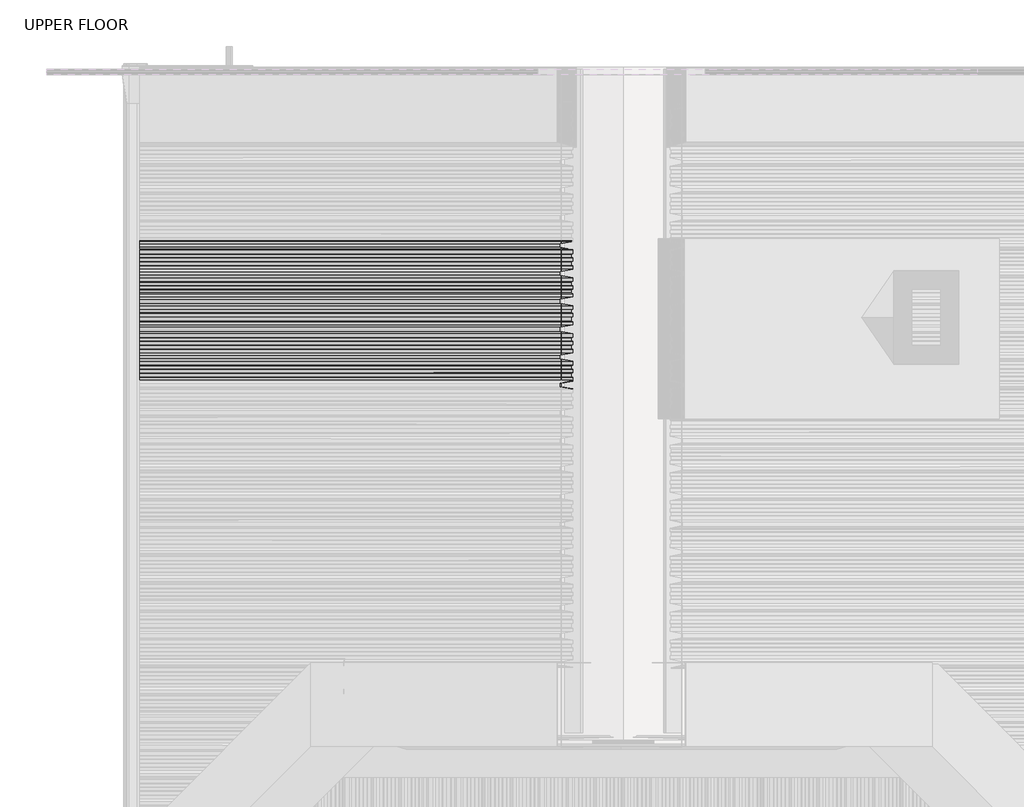
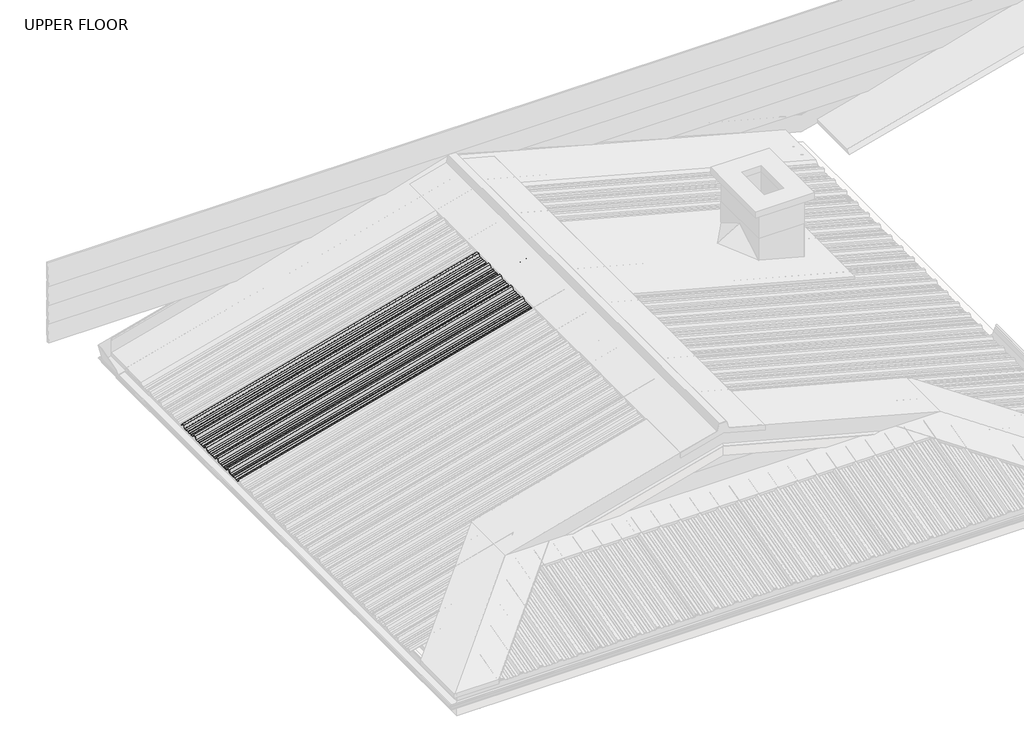
# One storey, part 15 of 18: 1 beam.
"""IFC4 building model written with IfcOpenShell, lengths in millimetres."""

from ifc_helpers import new_model, si_unit, frame, origin, place, context, project, spatial, circle_curve, ellipse_curve, element, save
from ifc_brep_helpers import plane_surface, cylinder_surface, advanced_brep

model = new_model("IFC4")

# Units and contexts
model_context = context("Model", 3, world=origin())
ifc_project = project(units=[si_unit("LENGTHUNIT", "METRE", prefix="MILLI")], contexts=[model_context])

# Site, building, storey
site = spatial("IfcSite", under=ifc_project)
building = spatial("IfcBuilding", under=site)
storey = spatial("IfcBuildingStorey", under=building, Name="UPPER FLOOR", Elevation=2700.0)

# Beam
placement = place(None, origin())
element("IfcBeam", 1, at=placement, inside=storey, context=model_context, shape_type="AdvancedBrep", body=[
    advanced_brep(
    [(1911.8438312, -1635.5154236, 3964.0388456), (1916.502574, -1622.0160332, 3946.6521808), (1916.502574, -1603.8599507, 3946.6521808), (1915.9849359, -1599.7333487, 3948.5840324), (1915.9849359, -1582.1265136, 3948.5840324), (1916.502574, -1578.8623496, 3946.6521808), (1916.502574, -1560.0893759, 3946.6521808), (1915.9849359, -1557.0479174, 3948.5840324), (1915.9849359, -1541.3821135, 3948.5840324), (1916.502574, -1538.3384716, 3946.6521808), (1916.502574, -1518.0160332, 3946.6521808), (1911.8438312, -1504.5166428, 3964.0388456), (1911.8438312, -1485.5154236, 3964.0388456), (1916.502574, -1472.0160332, 3946.6521808), (1916.502574, -1453.8599507, 3946.6521808), (1915.9849359, -1449.7333487, 3948.5840324), (1915.9849359, -1432.1265136, 3948.5840324), (1916.502574, -1428.8623496, 3946.6521808), (1916.502574, -1410.0893759, 3946.6521808), (1915.9849359, -1407.0479174, 3948.5840324), (1915.9849359, -1391.3821135, 3948.5840324), (1916.502574, -1388.3384716, 3946.6521808), (1916.502574, -1368.0160332, 3946.6521808), (1911.8438312, -1354.5166428, 3964.0388456), (1911.8438312, -1335.5154236, 3964.0388456), (1916.502574, -1322.0160332, 3946.6521808), (1916.502574, -1303.8599507, 3946.6521808), (1915.9849359, -1299.7333487, 3948.5840324), (1915.9849359, -1282.1265136, 3948.5840324), (1916.502574, -1278.8623496, 3946.6521808), (1916.502574, -1260.0893759, 3946.6521808), (1915.9849359, -1257.0479174, 3948.5840324), (1915.9849359, -1241.3821135, 3948.5840324), (1916.502574, -1238.3384716, 3946.6521808), (1916.502574, -1218.0160332, 3946.6521808), (1911.8438312, -1204.5166428, 3964.0388456), (1911.8438312, -1185.5154236, 3964.0388456), (1916.502574, -1172.0160332, 3946.6521808), (1916.502574, -1153.8599507, 3946.6521808), (1915.9849359, -1149.7333487, 3948.5840324), (1915.9849359, -1132.1265136, 3948.5840324), (1916.502574, -1128.8623496, 3946.6521808), (1916.502574, -1110.0893759, 3946.6521808), (1915.9849359, -1107.0479174, 3948.5840324), (1915.9849359, -1091.3821135, 3948.5840324), (1916.502574, -1088.3384716, 3946.6521808), (1916.502574, -1068.0160332, 3946.6521808), (1911.8438312, -1054.5166428, 3964.0388456), (1911.8438312, -1035.5154236, 3964.0388456), (1915.9849359, -1023.5159654, 3948.5840324), (1915.9849359, -1019.8426482, 3948.5840324), (1915.7261169, -1019.8426482, 3949.5499582), (1915.7261169, -1023.016575, 3949.5499582), (1911.5850122, -1035.0160332, 3965.0047715), (1911.5850122, -1055.0160332, 3965.0047715), (1916.243755, -1068.5154236, 3947.6181066), (1916.243755, -1088.0393206, 3947.6181066), (1915.7261169, -1091.0829625, 3949.5499582), (1915.7261169, -1107.3472479, 3949.5499582), (1916.243755, -1110.3887064, 3947.6181066), (1916.243755, -1128.5803543, 3947.6181066), (1915.7261169, -1131.8445183, 3949.5499582), (1915.7261169, -1149.9629086, 3949.5499582), (1916.243755, -1154.0895106, 3947.6181066), (1916.243755, -1171.5166428, 3947.6181066), (1911.5850122, -1185.0160332, 3965.0047715), (1911.5850122, -1205.0160332, 3965.0047715), (1916.243755, -1218.5154236, 3947.6181066), (1916.243755, -1238.0393206, 3947.6181066), (1915.7261169, -1241.0829625, 3949.5499582), (1915.7261169, -1257.3472479, 3949.5499582), (1916.243755, -1260.3887064, 3947.6181066), (1916.243755, -1278.5803543, 3947.6181066), (1915.7261169, -1281.8445183, 3949.5499582), (1915.7261169, -1299.9629086, 3949.5499582), (1916.243755, -1304.0895106, 3947.6181066), (1916.243755, -1321.5166428, 3947.6181066), (1911.5850122, -1335.0160332, 3965.0047715), (1911.5850122, -1355.0160332, 3965.0047715), (1916.243755, -1368.5154236, 3947.6181066), (1916.243755, -1388.0393206, 3947.6181066), (1915.7261169, -1391.0829625, 3949.5499582), (1915.7261169, -1407.3472479, 3949.5499582), (1916.243755, -1410.3887064, 3947.6181066), (1916.243755, -1428.5803543, 3947.6181066), (1915.7261169, -1431.8445183, 3949.5499582), (1915.7261169, -1449.9629086, 3949.5499582), (1916.243755, -1454.0895106, 3947.6181066), (1916.243755, -1471.5166428, 3947.6181066), (1911.5850122, -1485.0160332, 3965.0047715), (1911.5850122, -1505.0160332, 3965.0047715), (1916.243755, -1518.5154236, 3947.6181066), (1916.243755, -1538.0393206, 3947.6181066), (1915.7261169, -1541.0829625, 3949.5499582), (1915.7261169, -1557.3472479, 3949.5499582), (1916.243755, -1560.3887064, 3947.6181066), (1916.243755, -1578.5803543, 3947.6181066), (1915.7261169, -1581.8445183, 3949.5499582), (1915.7261169, -1599.9629086, 3949.5499582), (1916.243755, -1604.0895106, 3947.6181066), (1916.243755, -1621.5166428, 3947.6181066), (1911.5850122, -1635.0160332, 3965.0047715), (1911.5850122, -1655.0160332, 3965.0047715), (1916.243755, -1668.5154236, 3947.6181066), (1916.243755, -1688.0393206, 3947.6181066), (1915.7261169, -1691.0829625, 3949.5499582), (1915.7261169, -1707.3472479, 3949.5499582), (1916.243755, -1710.3887064, 3947.6181066), (1916.243755, -1728.5803543, 3947.6181066), (1915.7261169, -1731.8445183, 3949.5499582), (1915.7261169, -1749.9629086, 3949.5499582), (1916.243755, -1754.0895106, 3947.6181066), (1916.243755, -1774.0166021, 3947.6181066), (1912.1026503, -1786.0160603, 3963.0729198), (1912.1026503, -1804.0160061, 3963.0729198), (1916.1256634, -1815.6732765, 3948.0588305), (1916.2808729, -1814.8736623, 3947.4795806), (1912.3614693, -1803.5166157, 3962.106994), (1912.3614693, -1786.5154506, 3962.106994), (1916.502574, -1774.5159925, 3946.6521808), (1916.502574, -1753.8599507, 3946.6521808), (1915.9849359, -1749.7333487, 3948.5840324), (1915.9849359, -1732.1265136, 3948.5840324), (1916.502574, -1728.8623496, 3946.6521808), (1916.502574, -1710.0893759, 3946.6521808), (1915.9849359, -1707.0479174, 3948.5840324), (1915.9849359, -1691.3821135, 3948.5840324), (1916.502574, -1688.3384716, 3946.6521808), (1916.502574, -1668.0160332, 3946.6521808), (1911.8438312, -1654.5166428, 3964.0388456), (-592.3448479, -1635.5154236, 3293.0435114), (-592.3448479, -1622.0160332, 3274.4085401), (-592.3448479, -1603.8599507, 3274.4085401), (-592.3448479, -1599.7333487, 3276.4790925), (-592.3448479, -1582.1265136, 3276.4790925), (-592.3448479, -1578.8623496, 3274.4085401), (-592.3448479, -1560.0893759, 3274.4085401), (-592.3448479, -1557.0479174, 3276.4790925), (-592.3448479, -1541.3821135, 3276.4790925), (-592.3448479, -1538.3384716, 3274.4085401), (-592.3448479, -1518.0160332, 3274.4085401), (-592.3448479, -1504.5166428, 3293.0435114), (-592.3448479, -1485.5154236, 3293.0435114), (-592.3448479, -1472.0160332, 3274.4085401), (-592.3448479, -1453.8599507, 3274.4085401), (-592.3448479, -1449.7333487, 3276.4790925), (-592.3448479, -1432.1265136, 3276.4790925), (-592.3448479, -1428.8623496, 3274.4085401), (-592.3448479, -1410.0893759, 3274.4085401), (-592.3448479, -1407.0479174, 3276.4790925), (-592.3448479, -1391.3821135, 3276.4790925), (-592.3448479, -1388.3384716, 3274.4085401), (-592.3448479, -1368.0160332, 3274.4085401), (-592.3448479, -1354.5166428, 3293.0435114), (-592.3448479, -1335.5154236, 3293.0435114), (-592.3448479, -1322.0160332, 3274.4085401), (-592.3448479, -1303.8599507, 3274.4085401), (-592.3448479, -1299.7333487, 3276.4790925), (-592.3448479, -1282.1265136, 3276.4790925), (-592.3448479, -1278.8623496, 3274.4085401), (-592.3448479, -1260.0893759, 3274.4085401), (-592.3448479, -1257.0479174, 3276.4790925), (-592.3448479, -1241.3821135, 3276.4790925), (-592.3448479, -1238.3384716, 3274.4085401), (-592.3448479, -1218.0160332, 3274.4085401), (-592.3448479, -1204.5166428, 3293.0435114), (-592.3448479, -1185.5154236, 3293.0435114), (-592.3448479, -1172.0160332, 3274.4085401), (-592.3448479, -1153.8599507, 3274.4085401), (-592.3448479, -1149.7333487, 3276.4790925), (-592.3448479, -1132.1265136, 3276.4790925), (-592.3448479, -1128.8623496, 3274.4085401), (-592.3448479, -1110.0893759, 3274.4085401), (-592.3448479, -1107.0479174, 3276.4790925), (-592.3448479, -1091.3821135, 3276.4790925), (-592.3448479, -1088.3384716, 3274.4085401), (-592.3448479, -1068.0160332, 3274.4085401), (-592.3448479, -1054.5166428, 3293.0435114), (-592.3448479, -1035.5154236, 3293.0435114), (-592.3448479, -1023.5159654, 3276.4790925), (-592.3448479, -1019.8426482, 3276.4790925), (-592.3448479, -1019.8426482, 3277.5143687), (-592.3448479, -1023.016575, 3277.5143687), (-592.3448479, -1035.0160332, 3294.0787875), (-592.3448479, -1055.0160332, 3294.0787875), (-592.3448479, -1068.5154236, 3275.4438163), (-592.3448479, -1088.0393206, 3275.4438163), (-592.3448479, -1091.0829625, 3277.5143687), (-592.3448479, -1107.3472479, 3277.5143687), (-592.3448479, -1110.3887064, 3275.4438163), (-592.3448479, -1128.5803543, 3275.4438163), (-592.3448479, -1131.8445183, 3277.5143687), (-592.3448479, -1149.9629086, 3277.5143687), (-592.3448479, -1154.0895106, 3275.4438163), (-592.3448479, -1171.5166428, 3275.4438163), (-592.3448479, -1185.0160332, 3294.0787875), (-592.3448479, -1205.0160332, 3294.0787875), (-592.3448479, -1218.5154236, 3275.4438163), (-592.3448479, -1238.0393206, 3275.4438163), (-592.3448479, -1241.0829625, 3277.5143687), (-592.3448479, -1257.3472479, 3277.5143687), (-592.3448479, -1260.3887064, 3275.4438163), (-592.3448479, -1278.5803543, 3275.4438163), (-592.3448479, -1281.8445183, 3277.5143687), (-592.3448479, -1299.9629086, 3277.5143687), (-592.3448479, -1304.0895106, 3275.4438163), (-592.3448479, -1321.5166428, 3275.4438163), (-592.3448479, -1335.0160332, 3294.0787875), (-592.3448479, -1355.0160332, 3294.0787875), (-592.3448479, -1368.5154236, 3275.4438163), (-592.3448479, -1388.0393206, 3275.4438163), (-592.3448479, -1391.0829625, 3277.5143687), (-592.3448479, -1407.3472479, 3277.5143687), (-592.3448479, -1410.3887064, 3275.4438163), (-592.3448479, -1428.5803543, 3275.4438163), (-592.3448479, -1431.8445183, 3277.5143687), (-592.3448479, -1449.9629086, 3277.5143687), (-592.3448479, -1454.0895106, 3275.4438163), (-592.3448479, -1471.5166428, 3275.4438163), (-592.3448479, -1485.0160332, 3294.0787875), (-592.3448479, -1505.0160332, 3294.0787875), (-592.3448479, -1518.5154236, 3275.4438163), (-592.3448479, -1538.0393206, 3275.4438163), (-592.3448479, -1541.0829625, 3277.5143687), (-592.3448479, -1557.3472479, 3277.5143687), (-592.3448479, -1560.3887064, 3275.4438163), (-592.3448479, -1578.5803543, 3275.4438163), (-592.3448479, -1581.8445183, 3277.5143687), (-592.3448479, -1599.9629086, 3277.5143687), (-592.3448479, -1604.0895106, 3275.4438163), (-592.3448479, -1621.5166428, 3275.4438163), (-592.3448479, -1635.0160332, 3294.0787875), (-592.3448479, -1655.0160332, 3294.0787875), (-592.3448479, -1668.5154236, 3275.4438163), (-592.3448479, -1688.0393206, 3275.4438163), (-592.3448479, -1691.0829625, 3277.5143687), (-592.3448479, -1707.3472479, 3277.5143687), (-592.3448479, -1710.3887064, 3275.4438163), (-592.3448479, -1728.5803543, 3275.4438163), (-592.3448479, -1731.8445183, 3277.5143687), (-592.3448479, -1749.9629086, 3277.5143687), (-592.3448479, -1754.0895106, 3275.4438163), (-592.3448479, -1774.0166021, 3275.4438163), (-592.3448479, -1786.0160603, 3292.0082352), (-592.3448479, -1804.0160061, 3292.0082352), (-592.3448479, -1815.6732765, 3275.9161827), (-592.3448479, -1814.8736623, 3275.2953446), (-592.3448479, -1803.5166157, 3290.972959), (-592.3448479, -1786.5154506, 3290.972959), (-592.3448479, -1774.5159925, 3274.4085401), (-592.3448479, -1753.8599507, 3274.4085401), (-592.3448479, -1749.7333487, 3276.4790925), (-592.3448479, -1732.1265136, 3276.4790925), (-592.3448479, -1728.8623496, 3274.4085401), (-592.3448479, -1710.0893759, 3274.4085401), (-592.3448479, -1707.0479174, 3276.4790925), (-592.3448479, -1691.3821135, 3276.4790925), (-592.3448479, -1688.3384716, 3274.4085401), (-592.3448479, -1668.0160332, 3274.4085401), (-592.3448479, -1654.5166428, 3293.0435114)],
    [
        (0, 1),
        (1, 2),
        (2, 3),
        (3, 4),
        (4, 5),
        (5, 6),
        (6, 7),
        (7, 8),
        (8, 9),
        (9, 10),
        (10, 11),
        (11, 12),
        (12, 13),
        (13, 14),
        (14, 15),
        (15, 16),
        (16, 17),
        (17, 18),
        (18, 19),
        (19, 20),
        (20, 21),
        (21, 22),
        (22, 23),
        (23, 24),
        (24, 25),
        (25, 26),
        (26, 27),
        (27, 28),
        (28, 29),
        (29, 30),
        (30, 31),
        (31, 32),
        (32, 33),
        (33, 34),
        (34, 35),
        (35, 36),
        (36, 37),
        (37, 38),
        (38, 39),
        (39, 40),
        (40, 41),
        (41, 42),
        (42, 43),
        (43, 44),
        (44, 45),
        (45, 46),
        (46, 47),
        (47, 48),
        (48, 49),
        (49, 50),
        (50, 51, circle_curve(frame((1915.8555264, -1019.8426482, 3949.0669953), z_axis=(0.9659258262890683, 0.0, 0.25881904510252074), x_axis=(0.0, 1.0, 0.0)), 0.5)),
        (51, 52),
        (52, 53),
        (53, 54),
        (54, 55),
        (55, 56),
        (56, 57),
        (57, 58),
        (58, 59),
        (59, 60),
        (60, 61),
        (61, 62),
        (62, 63),
        (63, 64),
        (64, 65),
        (65, 66),
        (66, 67),
        (67, 68),
        (68, 69),
        (69, 70),
        (70, 71),
        (71, 72),
        (72, 73),
        (73, 74),
        (74, 75),
        (75, 76),
        (76, 77),
        (77, 78),
        (78, 79),
        (79, 80),
        (80, 81),
        (81, 82),
        (82, 83),
        (83, 84),
        (84, 85),
        (85, 86),
        (86, 87),
        (87, 88),
        (88, 89),
        (89, 90),
        (90, 91),
        (91, 92),
        (92, 93),
        (93, 94),
        (94, 95),
        (95, 96),
        (96, 97),
        (97, 98),
        (98, 99),
        (99, 100),
        (100, 101),
        (101, 102),
        (102, 103),
        (103, 104),
        (104, 105),
        (105, 106),
        (106, 107),
        (107, 108),
        (108, 109),
        (109, 110),
        (110, 111),
        (111, 112),
        (112, 113),
        (113, 114),
        (114, 115),
        (115, 116, circle_curve(frame((1916.2032682, -1815.2734694, 3947.7692055), z_axis=(0.9659258262890683, 0.0, 0.25881904510252074), x_axis=(0.0, 1.0, 0.0)), 0.4997507)),
        (116, 117),
        (117, 118),
        (118, 119),
        (119, 120),
        (120, 121),
        (121, 122),
        (122, 123),
        (123, 124),
        (124, 125),
        (125, 126),
        (126, 127),
        (127, 128),
        (128, 129),
        (129, 0),
        (0, 130),
        (130, 131),
        (131, 1),
        (131, 132),
        (132, 2),
        (132, 133),
        (133, 3),
        (133, 134),
        (134, 4),
        (134, 135),
        (135, 5),
        (135, 136),
        (136, 6),
        (136, 137),
        (137, 7),
        (137, 138),
        (138, 8),
        (138, 139),
        (139, 9),
        (139, 140),
        (140, 10),
        (140, 141),
        (141, 11),
        (141, 142),
        (142, 12),
        (142, 143),
        (143, 13),
        (143, 144),
        (144, 14),
        (144, 145),
        (145, 15),
        (145, 146),
        (146, 16),
        (146, 147),
        (147, 17),
        (147, 148),
        (148, 18),
        (148, 149),
        (149, 19),
        (149, 150),
        (150, 20),
        (150, 151),
        (151, 21),
        (151, 152),
        (152, 22),
        (152, 153),
        (153, 23),
        (153, 154),
        (154, 24),
        (154, 155),
        (155, 25),
        (155, 156),
        (156, 26),
        (156, 157),
        (157, 27),
        (157, 158),
        (158, 28),
        (158, 159),
        (159, 29),
        (159, 160),
        (160, 30),
        (160, 161),
        (161, 31),
        (161, 162),
        (162, 32),
        (162, 163),
        (163, 33),
        (163, 164),
        (164, 34),
        (164, 165),
        (165, 35),
        (165, 166),
        (166, 36),
        (166, 167),
        (167, 37),
        (167, 168),
        (168, 38),
        (168, 169),
        (169, 39),
        (169, 170),
        (170, 40),
        (170, 171),
        (171, 41),
        (171, 172),
        (172, 42),
        (172, 173),
        (173, 43),
        (173, 174),
        (174, 44),
        (174, 175),
        (175, 45),
        (175, 176),
        (176, 46),
        (176, 177),
        (177, 47),
        (177, 178),
        (178, 48),
        (178, 179),
        (179, 49),
        (179, 180),
        (180, 50),
        (180, 181, ellipse_curve(frame((-592.3448479, -1019.8426482, 3276.9967306), z_axis=(1.0, 0.0, 0.0), x_axis=(0.0, 0.0, 1.0)), 0.5176381, 0.5)),
        (181, 51),
        (181, 182),
        (182, 52),
        (182, 183),
        (183, 53),
        (183, 184),
        (184, 54),
        (184, 185),
        (185, 55),
        (185, 186),
        (186, 56),
        (186, 187),
        (187, 57),
        (187, 188),
        (188, 58),
        (188, 189),
        (189, 59),
        (189, 190),
        (190, 60),
        (190, 191),
        (191, 61),
        (191, 192),
        (192, 62),
        (192, 193),
        (193, 63),
        (193, 194),
        (194, 64),
        (194, 195),
        (195, 65),
        (195, 196),
        (196, 66),
        (196, 197),
        (197, 67),
        (197, 198),
        (198, 68),
        (198, 199),
        (199, 69),
        (199, 200),
        (200, 70),
        (200, 201),
        (201, 71),
        (201, 202),
        (202, 72),
        (202, 203),
        (203, 73),
        (203, 204),
        (204, 74),
        (204, 205),
        (205, 75),
        (205, 206),
        (206, 76),
        (206, 207),
        (207, 77),
        (207, 208),
        (208, 78),
        (208, 209),
        (209, 79),
        (209, 210),
        (210, 80),
        (210, 211),
        (211, 81),
        (211, 212),
        (212, 82),
        (212, 213),
        (213, 83),
        (213, 214),
        (214, 84),
        (214, 215),
        (215, 85),
        (215, 216),
        (216, 86),
        (216, 217),
        (217, 87),
        (217, 218),
        (218, 88),
        (218, 219),
        (219, 89),
        (219, 220),
        (220, 90),
        (220, 221),
        (221, 91),
        (221, 222),
        (222, 92),
        (222, 223),
        (223, 93),
        (223, 224),
        (224, 94),
        (224, 225),
        (225, 95),
        (225, 226),
        (226, 96),
        (226, 227),
        (227, 97),
        (227, 228),
        (228, 98),
        (228, 229),
        (229, 99),
        (229, 230),
        (230, 100),
        (230, 231),
        (231, 101),
        (231, 232),
        (232, 102),
        (232, 233),
        (233, 103),
        (233, 234),
        (234, 104),
        (234, 235),
        (235, 105),
        (235, 236),
        (236, 106),
        (236, 237),
        (237, 107),
        (237, 238),
        (238, 108),
        (238, 239),
        (239, 109),
        (239, 240),
        (240, 110),
        (240, 241),
        (241, 111),
        (241, 242),
        (242, 112),
        (242, 243),
        (243, 113),
        (243, 244),
        (244, 114),
        (244, 245),
        (245, 115),
        (245, 246, ellipse_curve(frame((-592.3448479, -1815.2734694, 3275.6057637), z_axis=(1.0, 0.0, 0.0), x_axis=(0.0, 0.0, 1.0)), 0.51738, 0.4997507)),
        (246, 116),
        (246, 247),
        (247, 117),
        (247, 248),
        (248, 118),
        (248, 249),
        (249, 119),
        (249, 250),
        (250, 120),
        (250, 251),
        (251, 121),
        (251, 252),
        (252, 122),
        (252, 253),
        (253, 123),
        (253, 254),
        (254, 124),
        (254, 255),
        (255, 125),
        (255, 256),
        (256, 126),
        (256, 257),
        (257, 127),
        (257, 258),
        (258, 128),
        (258, 259),
        (259, 129),
        (259, 130),
    ],
    [
        plane_surface(frame((1911.8438312, -1635.5154236, 3964.0388456), z_axis=(0.9659258262890682, 0.0, 0.2588190451025208), x_axis=(0.20705860205458665, 0.5999826594493568, -0.7727532230118989))),
        plane_surface(frame((1911.8438312, -1635.5154236, 3964.0388456), z_axis=(0.1552869389967521, -0.8000130051193401, -0.579538746087733), x_axis=(-0.9659258262890683, 0.0, -0.25881904510252074))),
        plane_surface(frame((1916.502574, -1622.0160332, 3946.6521808), z_axis=(0.25881904510252074, 0.0, -0.9659258262890683), x_axis=(-0.9659258262890683, 0.0, -0.25881904510252074))),
        plane_surface(frame((1916.502574, -1603.8599507, 3946.6521808), z_axis=(0.23290623468573962, 0.43613636169978626, -0.8692179012467383), x_axis=(-0.9659258262890683, 0.0, -0.25881904510252074))),
        plane_surface(frame((1915.9849359, -1599.7333487, 3948.5840324), z_axis=(0.25881904510252074, 0.0, -0.9659258262890683), x_axis=(-0.9659258262890683, 0.0, -0.25881904510252074))),
        plane_surface(frame((1915.9849359, -1582.1265136, 3948.5840324), z_axis=(0.22068801492462872, -0.5224449573493034, -0.8236188843202367), x_axis=(-0.9659258262890683, 0.0, -0.25881904510252074))),
        plane_surface(frame((1916.502574, -1578.8623496, 3946.6521808), z_axis=(0.25881904510252074, 0.0, -0.9659258262890683), x_axis=(-0.9659258262890683, 0.0, -0.25881904510252074))),
        plane_surface(frame((1916.502574, -1560.0893759, 3946.6521808), z_axis=(0.21625317242009745, 0.5494325148836681, -0.8070678267697529), x_axis=(-0.9659258262890683, 0.0, -0.25881904510252074))),
        plane_surface(frame((1915.9849359, -1557.0479174, 3948.5840324), z_axis=(0.25881904510252074, 0.0, -0.9659258262890683), x_axis=(-0.9659258262890683, 0.0, -0.25881904510252074))),
        plane_surface(frame((1915.9849359, -1541.3821135, 3948.5840324), z_axis=(0.21630000128988636, -0.5491572662555927, -0.8072425944910732), x_axis=(-0.9659258262890683, 0.0, -0.25881904510252074))),
        plane_surface(frame((1916.502574, -1538.3384716, 3946.6521808), z_axis=(0.25881904510252074, 0.0, -0.9659258262890683), x_axis=(-0.9659258262890683, 0.0, -0.25881904510252074))),
        plane_surface(frame((1916.502574, -1518.0160332, 3946.6521808), z_axis=(0.1552869389967555, 0.8000130051193378, -0.5795387460877353), x_axis=(-0.9659258262890683, 0.0, -0.25881904510252074))),
        plane_surface(frame((1911.8438312, -1504.5166428, 3964.0388456), z_axis=(0.25881904510252074, 0.0, -0.9659258262890683), x_axis=(-0.9659258262890683, 0.0, -0.25881904510252074))),
        plane_surface(frame((1911.8438312, -1485.5154236, 3964.0388456), z_axis=(0.155286938996752, -0.8000130051193405, -0.5795387460877326), x_axis=(-0.9659258262890683, 0.0, -0.25881904510252074))),
        plane_surface(frame((1916.502574, -1472.0160332, 3946.6521808), z_axis=(0.25881904510252074, 0.0, -0.9659258262890683), x_axis=(-0.9659258262890683, 0.0, -0.25881904510252074))),
        plane_surface(frame((1916.502574, -1453.8599507, 3946.6521808), z_axis=(0.2329062346857402, 0.4361363616997818, -0.8692179012467404), x_axis=(-0.9659258262890683, 0.0, -0.25881904510252074))),
        plane_surface(frame((1915.9849359, -1449.7333487, 3948.5840324), z_axis=(0.25881904510252074, 0.0, -0.9659258262890683), x_axis=(-0.9659258262890683, 0.0, -0.25881904510252074))),
        plane_surface(frame((1915.9849359, -1432.1265136, 3948.5840324), z_axis=(0.22068801492462992, -0.5224449573492964, -0.8236188843202409), x_axis=(-0.9659258262890683, 0.0, -0.25881904510252074))),
        plane_surface(frame((1916.502574, -1428.8623496, 3946.6521808), z_axis=(0.25881904510252074, 0.0, -0.9659258262890683), x_axis=(-0.9659258262890683, 0.0, -0.25881904510252074))),
        plane_surface(frame((1916.502574, -1410.0893759, 3946.6521808), z_axis=(0.2162531724200989, 0.5494325148836595, -0.8070678267697583), x_axis=(-0.9659258262890683, 0.0, -0.25881904510252074))),
        plane_surface(frame((1915.9849359, -1407.0479174, 3948.5840324), z_axis=(0.25881904510252074, 0.0, -0.9659258262890683), x_axis=(-0.9659258262890683, 0.0, -0.25881904510252074))),
        plane_surface(frame((1915.9849359, -1391.3821135, 3948.5840324), z_axis=(0.21630000128988636, -0.5491572662555927, -0.8072425944910732), x_axis=(-0.9659258262890683, 0.0, -0.25881904510252074))),
        plane_surface(frame((1916.502574, -1388.3384716, 3946.6521808), z_axis=(0.25881904510252074, 0.0, -0.9659258262890683), x_axis=(-0.9659258262890683, 0.0, -0.25881904510252074))),
        plane_surface(frame((1916.502574, -1368.0160332, 3946.6521808), z_axis=(0.15528693899675589, 0.8000130051193365, -0.5795387460877367), x_axis=(-0.9659258262890683, 0.0, -0.25881904510252074))),
        plane_surface(frame((1911.8438312, -1354.5166428, 3964.0388456), z_axis=(0.25881904510252074, 0.0, -0.9659258262890683), x_axis=(-0.9659258262890683, 0.0, -0.25881904510252074))),
        plane_surface(frame((1911.8438312, -1335.5154236, 3964.0388456), z_axis=(0.15528693899675128, -0.8000130051193425, -0.5795387460877299), x_axis=(-0.9659258262890683, 0.0, -0.25881904510252074))),
        plane_surface(frame((1916.502574, -1322.0160332, 3946.6521808), z_axis=(0.25881904510252074, 0.0, -0.9659258262890683), x_axis=(-0.9659258262890683, 0.0, -0.25881904510252074))),
        plane_surface(frame((1916.502574, -1303.8599507, 3946.6521808), z_axis=(0.2329062346857391, 0.43613636169979064, -0.8692179012467363), x_axis=(-0.9659258262890683, 0.0, -0.25881904510252074))),
        plane_surface(frame((1915.9849359, -1299.7333487, 3948.5840324), z_axis=(0.25881904510252074, 0.0, -0.9659258262890683), x_axis=(-0.9659258262890683, 0.0, -0.25881904510252074))),
        plane_surface(frame((1915.9849359, -1282.1265136, 3948.5840324), z_axis=(0.2206880149246294, -0.5224449573492995, -0.823618884320239), x_axis=(-0.9659258262890683, 0.0, -0.25881904510252074))),
        plane_surface(frame((1916.502574, -1278.8623496, 3946.6521808), z_axis=(0.25881904510252074, 0.0, -0.9659258262890683), x_axis=(-0.9659258262890683, 0.0, -0.25881904510252074))),
        plane_surface(frame((1916.502574, -1260.0893759, 3946.6521808), z_axis=(0.21625317242009745, 0.5494325148836681, -0.8070678267697529), x_axis=(-0.9659258262890683, 0.0, -0.25881904510252074))),
        plane_surface(frame((1915.9849359, -1257.0479174, 3948.5840324), z_axis=(0.25881904510252074, 0.0, -0.9659258262890683), x_axis=(-0.9659258262890683, 0.0, -0.25881904510252074))),
        plane_surface(frame((1915.9849359, -1241.3821135, 3948.5840324), z_axis=(0.21630000128988636, -0.5491572662555927, -0.8072425944910732), x_axis=(-0.9659258262890683, 0.0, -0.25881904510252074))),
        plane_surface(frame((1916.502574, -1238.3384716, 3946.6521808), z_axis=(0.25881904510252074, 0.0, -0.9659258262890683), x_axis=(-0.9659258262890683, 0.0, -0.25881904510252074))),
        plane_surface(frame((1916.502574, -1218.0160332, 3946.6521808), z_axis=(0.1552869389967554, 0.8000130051193381, -0.579538746087735), x_axis=(-0.9659258262890683, 0.0, -0.25881904510252074))),
        plane_surface(frame((1911.8438312, -1204.5166428, 3964.0388456), z_axis=(0.25881904510252074, 0.0, -0.9659258262890683), x_axis=(-0.9659258262890683, 0.0, -0.25881904510252074))),
        plane_surface(frame((1911.8438312, -1185.5154236, 3964.0388456), z_axis=(0.15528693899675186, -0.8000130051193408, -0.579538746087732), x_axis=(-0.9659258262890683, 0.0, -0.25881904510252074))),
        plane_surface(frame((1916.502574, -1172.0160332, 3946.6521808), z_axis=(0.25881904510252074, 0.0, -0.9659258262890683), x_axis=(-0.9659258262890683, 0.0, -0.25881904510252074))),
        plane_surface(frame((1916.502574, -1153.8599507, 3946.6521808), z_axis=(0.23290623468573768, 0.4361363616998018, -0.8692179012467309), x_axis=(-0.9659258262890683, 0.0, -0.25881904510252074))),
        plane_surface(frame((1915.9849359, -1149.7333487, 3948.5840324), z_axis=(0.25881904510252074, 0.0, -0.9659258262890683), x_axis=(-0.9659258262890683, 0.0, -0.25881904510252074))),
        plane_surface(frame((1915.9849359, -1132.1265136, 3948.5840324), z_axis=(0.22068801492462523, -0.5224449573493257, -0.8236188843202236), x_axis=(-0.9659258262890683, 0.0, -0.25881904510252074))),
        plane_surface(frame((1916.502574, -1128.8623496, 3946.6521808), z_axis=(0.25881904510252074, 0.0, -0.9659258262890683), x_axis=(-0.9659258262890683, 0.0, -0.25881904510252074))),
        plane_surface(frame((1916.502574, -1110.0893759, 3946.6521808), z_axis=(0.2162531724200923, 0.5494325148836985, -0.8070678267697334), x_axis=(-0.9659258262890683, 0.0, -0.25881904510252074))),
        plane_surface(frame((1915.9849359, -1107.0479174, 3948.5840324), z_axis=(0.25881904510252074, 0.0, -0.9659258262890683), x_axis=(-0.9659258262890683, 0.0, -0.25881904510252074))),
        plane_surface(frame((1915.9849359, -1091.3821135, 3948.5840324), z_axis=(0.21630000128988253, -0.5491572662556147, -0.8072425944910592), x_axis=(-0.9659258262890683, 0.0, -0.25881904510252074))),
        plane_surface(frame((1916.502574, -1088.3384716, 3946.6521808), z_axis=(0.25881904510252074, 0.0, -0.9659258262890683), x_axis=(-0.9659258262890683, 0.0, -0.25881904510252074))),
        plane_surface(frame((1916.502574, -1068.0160332, 3946.6521808), z_axis=(0.15528693899675486, 0.8000130051193397, -0.5795387460877327), x_axis=(-0.9659258262890683, 0.0, -0.25881904510252074))),
        plane_surface(frame((1911.8438312, -1054.5166428, 3964.0388456), z_axis=(0.25881904510252074, 0.0, -0.9659258262890683), x_axis=(-0.9659258262890683, 0.0, -0.25881904510252074))),
        plane_surface(frame((1911.8438312, -1035.5154236, 3964.0388456), z_axis=(0.1552869389967518, -0.800013005119341, -0.5795387460877317), x_axis=(-0.9659258262890683, 0.0, -0.25881904510252074))),
        plane_surface(frame((1915.9849359, -1023.5159654, 3948.5840324), z_axis=(0.25881904510252074, 0.0, -0.9659258262890683), x_axis=(-0.9659258262890683, 0.0, -0.25881904510252074))),
        cylinder_surface(frame((-605.4065742, -1019.8426482, 3273.4968516), z_axis=(0.9659258262890683, 0.0, 0.25881904510252074), x_axis=(0.0, 1.0, 0.0)), 0.5),
        plane_surface(frame((1915.7261169, -1019.8426482, 3949.5499582), z_axis=(-0.25881904510252074, 0.0, 0.9659258262890683), x_axis=(-0.9659258262890683, 0.0, -0.25881904510252074))),
        plane_surface(frame((1915.7261169, -1023.016575, 3949.5499582), z_axis=(-0.15528693899675175, 0.8000130051193411, 0.5795387460877315), x_axis=(-0.9659258262890683, 0.0, -0.25881904510252074))),
        plane_surface(frame((1911.5850122, -1035.0160332, 3965.0047715), z_axis=(-0.25881904510252074, 0.0, 0.9659258262890683), x_axis=(-0.9659258262890683, 0.0, -0.25881904510252074))),
        plane_surface(frame((1911.5850122, -1055.0160332, 3965.0047715), z_axis=(-0.155286938996755, -0.8000130051193395, 0.5795387460877331), x_axis=(-0.9659258262890683, 0.0, -0.25881904510252074))),
        plane_surface(frame((1916.243755, -1068.5154236, 3947.6181066), z_axis=(-0.25881904510252074, 0.0, 0.9659258262890683), x_axis=(-0.9659258262890683, 0.0, -0.25881904510252074))),
        plane_surface(frame((1916.243755, -1088.0393206, 3947.6181066), z_axis=(-0.21630000128988922, 0.5491572662555757, 0.807242594491084), x_axis=(-0.9659258262890683, 0.0, -0.25881904510252074))),
        plane_surface(frame((1915.7261169, -1091.0829625, 3949.5499582), z_axis=(-0.25881904510252074, 0.0, 0.9659258262890683), x_axis=(-0.9659258262890683, 0.0, -0.25881904510252074))),
        plane_surface(frame((1915.7261169, -1107.3472479, 3949.5499582), z_axis=(-0.21625317242009945, -0.5494325148836562, 0.8070678267697603), x_axis=(-0.9659258262890683, 0.0, -0.25881904510252074))),
        plane_surface(frame((1916.243755, -1110.3887064, 3947.6181066), z_axis=(-0.25881904510252074, 0.0, 0.9659258262890683), x_axis=(-0.9659258262890683, 0.0, -0.25881904510252074))),
        plane_surface(frame((1916.243755, -1128.5803543, 3947.6181066), z_axis=(-0.22068801492462772, 0.5224449573493096, 0.823618884320233), x_axis=(-0.9659258262890683, 0.0, -0.25881904510252074))),
        plane_surface(frame((1915.7261169, -1131.8445183, 3949.5499582), z_axis=(-0.25881904510252074, 0.0, 0.9659258262890683), x_axis=(-0.9659258262890683, 0.0, -0.25881904510252074))),
        plane_surface(frame((1915.7261169, -1149.9629086, 3949.5499582), z_axis=(-0.23290623468573823, -0.43613636169979736, 0.869217901246733), x_axis=(-0.9659258262890683, 0.0, -0.25881904510252074))),
        plane_surface(frame((1916.243755, -1154.0895106, 3947.6181066), z_axis=(-0.25881904510252074, 0.0, 0.9659258262890683), x_axis=(-0.9659258262890683, 0.0, -0.25881904510252074))),
        plane_surface(frame((1916.243755, -1171.5166428, 3947.6181066), z_axis=(-0.15528693899675314, 0.8000130051193369, 0.579538746087737), x_axis=(-0.9659258262890683, 0.0, -0.25881904510252074))),
        plane_surface(frame((1911.5850122, -1185.0160332, 3965.0047715), z_axis=(-0.25881904510252074, 0.0, 0.9659258262890683), x_axis=(-0.9659258262890683, 0.0, -0.25881904510252074))),
        plane_surface(frame((1911.5850122, -1205.0160332, 3965.0047715), z_axis=(-0.15528693899675486, -0.8000130051193396, 0.5795387460877328), x_axis=(-0.9659258262890683, 0.0, -0.25881904510252074))),
        plane_surface(frame((1916.243755, -1218.5154236, 3947.6181066), z_axis=(-0.25881904510252074, 0.0, 0.9659258262890683), x_axis=(-0.9659258262890683, 0.0, -0.25881904510252074))),
        plane_surface(frame((1916.243755, -1238.0393206, 3947.6181066), z_axis=(-0.2163000012898869, 0.5491572662555895, 0.8072425944910753), x_axis=(-0.9659258262890683, 0.0, -0.25881904510252074))),
        plane_surface(frame((1915.7261169, -1241.0829625, 3949.5499582), z_axis=(-0.25881904510252074, 0.0, 0.9659258262890683), x_axis=(-0.9659258262890683, 0.0, -0.25881904510252074))),
        plane_surface(frame((1915.7261169, -1257.3472479, 3949.5499582), z_axis=(-0.21625317242009795, -0.5494325148836647, 0.8070678267697549), x_axis=(-0.9659258262890683, 0.0, -0.25881904510252074))),
        plane_surface(frame((1916.243755, -1260.3887064, 3947.6181066), z_axis=(-0.25881904510252074, 0.0, 0.9659258262890683), x_axis=(-0.9659258262890683, 0.0, -0.25881904510252074))),
        plane_surface(frame((1916.243755, -1278.5803543, 3947.6181066), z_axis=(-0.22068801492462867, 0.5224449573493042, 0.8236188843202363), x_axis=(-0.9659258262890683, 0.0, -0.25881904510252074))),
        plane_surface(frame((1915.7261169, -1281.8445183, 3949.5499582), z_axis=(-0.25881904510252074, 0.0, 0.9659258262890683), x_axis=(-0.9659258262890683, 0.0, -0.25881904510252074))),
        plane_surface(frame((1915.7261169, -1299.9629086, 3949.5499582), z_axis=(-0.2329062346857398, -0.43613636169978487, 0.8692179012467389), x_axis=(-0.9659258262890683, 0.0, -0.25881904510252074))),
        plane_surface(frame((1916.243755, -1304.0895106, 3947.6181066), z_axis=(-0.25881904510252074, 0.0, 0.9659258262890683), x_axis=(-0.9659258262890683, 0.0, -0.25881904510252074))),
        plane_surface(frame((1916.243755, -1321.5166428, 3947.6181066), z_axis=(-0.15528693899675233, 0.8000130051193396, 0.5795387460877337), x_axis=(-0.9659258262890683, 0.0, -0.25881904510252074))),
        plane_surface(frame((1911.5850122, -1335.0160332, 3965.0047715), z_axis=(-0.25881904510252074, 0.0, 0.9659258262890683), x_axis=(-0.9659258262890683, 0.0, -0.25881904510252074))),
        plane_surface(frame((1911.5850122, -1355.0160332, 3965.0047715), z_axis=(-0.15528693899675503, -0.8000130051193393, 0.5795387460877334), x_axis=(-0.9659258262890683, 0.0, -0.25881904510252074))),
        plane_surface(frame((1916.243755, -1368.5154236, 3947.6181066), z_axis=(-0.25881904510252074, 0.0, 0.9659258262890683), x_axis=(-0.9659258262890683, 0.0, -0.25881904510252074))),
        plane_surface(frame((1916.243755, -1388.0393206, 3947.6181066), z_axis=(-0.2163000012898869, 0.5491572662555895, 0.8072425944910753), x_axis=(-0.9659258262890683, 0.0, -0.25881904510252074))),
        plane_surface(frame((1915.7261169, -1391.0829625, 3949.5499582), z_axis=(-0.25881904510252074, 0.0, 0.9659258262890683), x_axis=(-0.9659258262890683, 0.0, -0.25881904510252074))),
        plane_surface(frame((1915.7261169, -1407.3472479, 3949.5499582), z_axis=(-0.21625317242009942, -0.5494325148836562, 0.8070678267697603), x_axis=(-0.9659258262890683, 0.0, -0.25881904510252074))),
        plane_surface(frame((1916.243755, -1410.3887064, 3947.6181066), z_axis=(-0.25881904510252074, 0.0, 0.9659258262890683), x_axis=(-0.9659258262890683, 0.0, -0.25881904510252074))),
        plane_surface(frame((1916.243755, -1428.5803543, 3947.6181066), z_axis=(-0.22068801492462953, 0.5224449573492987, 0.8236188843202396), x_axis=(-0.9659258262890683, 0.0, -0.25881904510252074))),
        plane_surface(frame((1915.7261169, -1431.8445183, 3949.5499582), z_axis=(-0.25881904510252074, 0.0, 0.9659258262890683), x_axis=(-0.9659258262890683, 0.0, -0.25881904510252074))),
        plane_surface(frame((1915.7261169, -1449.9629086, 3949.5499582), z_axis=(-0.23290623468573954, -0.4361363616997871, 0.8692179012467379), x_axis=(-0.9659258262890683, 0.0, -0.25881904510252074))),
        plane_surface(frame((1916.243755, -1454.0895106, 3947.6181066), z_axis=(-0.25881904510252074, 0.0, 0.9659258262890683), x_axis=(-0.9659258262890683, 0.0, -0.25881904510252074))),
        plane_surface(frame((1916.243755, -1471.5166428, 3947.6181066), z_axis=(-0.15528693899675244, 0.8000130051193394, 0.579538746087734), x_axis=(-0.9659258262890683, 0.0, -0.25881904510252074))),
        plane_surface(frame((1911.5850122, -1485.0160332, 3965.0047715), z_axis=(-0.25881904510252074, 0.0, 0.9659258262890683), x_axis=(-0.9659258262890683, 0.0, -0.25881904510252074))),
        plane_surface(frame((1911.5850122, -1505.0160332, 3965.0047715), z_axis=(-0.15528693899675497, -0.8000130051193393, 0.5795387460877333), x_axis=(-0.9659258262890683, 0.0, -0.25881904510252074))),
        plane_surface(frame((1916.243755, -1518.5154236, 3947.6181066), z_axis=(-0.25881904510252074, 0.0, 0.9659258262890683), x_axis=(-0.9659258262890683, 0.0, -0.25881904510252074))),
        plane_surface(frame((1916.243755, -1538.0393206, 3947.6181066), z_axis=(-0.21630000128988636, 0.5491572662555927, 0.8072425944910732), x_axis=(-0.9659258262890683, 0.0, -0.25881904510252074))),
        plane_surface(frame((1915.7261169, -1541.0829625, 3949.5499582), z_axis=(-0.25881904510252074, 0.0, 0.9659258262890683), x_axis=(-0.9659258262890683, 0.0, -0.25881904510252074))),
        plane_surface(frame((1915.7261169, -1557.3472479, 3949.5499582), z_axis=(-0.21625317242009745, -0.5494325148836681, 0.8070678267697529), x_axis=(-0.9659258262890683, 0.0, -0.25881904510252074))),
        plane_surface(frame((1916.243755, -1560.3887064, 3947.6181066), z_axis=(-0.25881904510252074, 0.0, 0.9659258262890683), x_axis=(-0.9659258262890683, 0.0, -0.25881904510252074))),
        plane_surface(frame((1916.243755, -1578.5803543, 3947.6181066), z_axis=(-0.22068801492462825, 0.5224449573493065, 0.8236188843202348), x_axis=(-0.9659258262890683, 0.0, -0.25881904510252074))),
        plane_surface(frame((1915.7261169, -1581.8445183, 3949.5499582), z_axis=(-0.25881904510252074, 0.0, 0.9659258262890683), x_axis=(-0.9659258262890683, 0.0, -0.25881904510252074))),
        plane_surface(frame((1915.7261169, -1599.9629086, 3949.5499582), z_axis=(-0.23290623468573982, -0.4361363616997848, 0.8692179012467389), x_axis=(-0.9659258262890683, 0.0, -0.25881904510252074))),
        plane_surface(frame((1916.243755, -1604.0895106, 3947.6181066), z_axis=(-0.25881904510252074, 0.0, 0.9659258262890683), x_axis=(-0.9659258262890683, 0.0, -0.25881904510252074))),
        plane_surface(frame((1916.243755, -1621.5166428, 3947.6181066), z_axis=(-0.15528693899675264, 0.8000130051193386, 0.5795387460877349), x_axis=(-0.9659258262890683, 0.0, -0.25881904510252074))),
        plane_surface(frame((1911.5850122, -1635.0160332, 3965.0047715), z_axis=(-0.25881904510252074, 0.0, 0.9659258262890683), x_axis=(-0.9659258262890683, 0.0, -0.25881904510252074))),
        plane_surface(frame((1911.5850122, -1655.0160332, 3965.0047715), z_axis=(-0.1552869389967553, -0.8000130051193384, 0.5795387460877345), x_axis=(-0.9659258262890683, 0.0, -0.25881904510252074))),
        plane_surface(frame((1916.243755, -1668.5154236, 3947.6181066), z_axis=(-0.25881904510252074, 0.0, 0.9659258262890683), x_axis=(-0.9659258262890683, 0.0, -0.25881904510252074))),
        plane_surface(frame((1916.243755, -1688.0393206, 3947.6181066), z_axis=(-0.2163000012898869, 0.5491572662555895, 0.8072425944910753), x_axis=(-0.9659258262890683, 0.0, -0.25881904510252074))),
        plane_surface(frame((1915.7261169, -1691.0829625, 3949.5499582), z_axis=(-0.25881904510252074, 0.0, 0.9659258262890683), x_axis=(-0.9659258262890683, 0.0, -0.25881904510252074))),
        plane_surface(frame((1915.7261169, -1707.3472479, 3949.5499582), z_axis=(-0.21625317242009795, -0.5494325148836647, 0.8070678267697549), x_axis=(-0.9659258262890683, 0.0, -0.25881904510252074))),
        plane_surface(frame((1916.243755, -1710.3887064, 3947.6181066), z_axis=(-0.25881904510252074, 0.0, 0.9659258262890683), x_axis=(-0.9659258262890683, 0.0, -0.25881904510252074))),
        plane_surface(frame((1916.243755, -1728.5803543, 3947.6181066), z_axis=(-0.22068801492462864, 0.5224449573493042, 0.8236188843202363), x_axis=(-0.9659258262890683, 0.0, -0.25881904510252074))),
        plane_surface(frame((1915.7261169, -1731.8445183, 3949.5499582), z_axis=(-0.25881904510252074, 0.0, 0.9659258262890683), x_axis=(-0.9659258262890683, 0.0, -0.25881904510252074))),
        plane_surface(frame((1915.7261169, -1749.9629086, 3949.5499582), z_axis=(-0.23290623468574, -0.4361363616997833, 0.8692179012467396), x_axis=(-0.9659258262890683, 0.0, -0.25881904510252074))),
        plane_surface(frame((1916.243755, -1754.0895106, 3947.6181066), z_axis=(-0.25881904510252074, 0.0, 0.9659258262890683), x_axis=(-0.9659258262890683, 0.0, -0.25881904510252074))),
        plane_surface(frame((1916.243755, -1774.0166021, 3947.6181066), z_axis=(-0.15528693899675253, 0.8000130051193389, 0.5795387460877345), x_axis=(-0.9659258262890683, 0.0, -0.25881904510252074))),
        plane_surface(frame((1912.1026503, -1786.0160603, 3963.0729198), z_axis=(-0.25881904510252074, 0.0, 0.9659258262890683), x_axis=(-0.9659258262890683, 0.0, -0.25881904510252074))),
        plane_surface(frame((1912.1026503, -1804.0160061, 3963.0729198), z_axis=(-0.15528693899675503, -0.8000130051193393, 0.5795387460877334), x_axis=(-0.9659258262890683, 0.0, -0.25881904510252074))),
        cylinder_surface(frame((-605.0588324, -1815.2734694, 3272.1990618), z_axis=(0.9659258262890683, 0.0, 0.25881904510252074), x_axis=(0.0, 1.0, 0.0)), 0.4997507),
        plane_surface(frame((1916.2808729, -1814.8736623, 3947.4795806), z_axis=(0.15528693899676424, 0.8000130051193125, -0.5795387460877678), x_axis=(-0.9659258262890683, 0.0, -0.25881904510252074))),
        plane_surface(frame((1912.3614693, -1803.5166157, 3962.106994), z_axis=(0.25881904510252074, 0.0, -0.9659258262890683), x_axis=(-0.9659258262890683, 0.0, -0.25881904510252074))),
        plane_surface(frame((1912.3614693, -1786.5154506, 3962.106994), z_axis=(0.15528693899675197, -0.8000130051193406, -0.5795387460877325), x_axis=(-0.9659258262890683, 0.0, -0.25881904510252074))),
        plane_surface(frame((1916.502574, -1774.5159925, 3946.6521808), z_axis=(0.25881904510252074, 0.0, -0.9659258262890683), x_axis=(-0.9659258262890683, 0.0, -0.25881904510252074))),
        plane_surface(frame((1916.502574, -1753.8599507, 3946.6521808), z_axis=(0.2329062346857389, 0.43613636169979214, -0.8692179012467355), x_axis=(-0.9659258262890683, 0.0, -0.25881904510252074))),
        plane_surface(frame((1915.9849359, -1749.7333487, 3948.5840324), z_axis=(0.25881904510252074, 0.0, -0.9659258262890683), x_axis=(-0.9659258262890683, 0.0, -0.25881904510252074))),
        plane_surface(frame((1915.9849359, -1732.1265136, 3948.5840324), z_axis=(0.22068801492462814, -0.5224449573493073, -0.8236188843202343), x_axis=(-0.9659258262890683, 0.0, -0.25881904510252074))),
        plane_surface(frame((1916.502574, -1728.8623496, 3946.6521808), z_axis=(0.25881904510252074, 0.0, -0.9659258262890683), x_axis=(-0.9659258262890683, 0.0, -0.25881904510252074))),
        plane_surface(frame((1916.502574, -1710.0893759, 3946.6521808), z_axis=(0.21625317242009745, 0.5494325148836681, -0.8070678267697529), x_axis=(-0.9659258262890683, 0.0, -0.25881904510252074))),
        plane_surface(frame((1915.9849359, -1707.0479174, 3948.5840324), z_axis=(0.25881904510252074, 0.0, -0.9659258262890683), x_axis=(-0.9659258262890683, 0.0, -0.25881904510252074))),
        plane_surface(frame((1915.9849359, -1691.3821135, 3948.5840324), z_axis=(0.21630000128988636, -0.5491572662555927, -0.8072425944910732), x_axis=(-0.9659258262890683, 0.0, -0.25881904510252074))),
        plane_surface(frame((1916.502574, -1688.3384716, 3946.6521808), z_axis=(0.25881904510252074, 0.0, -0.9659258262890683), x_axis=(-0.9659258262890683, 0.0, -0.25881904510252074))),
        plane_surface(frame((1916.502574, -1668.0160332, 3946.6521808), z_axis=(0.15528693899675544, 0.800013005119338, -0.579538746087735), x_axis=(-0.9659258262890683, 0.0, -0.25881904510252074))),
        plane_surface(frame((1911.8438312, -1654.5166428, 3964.0388456), z_axis=(0.25881904510252074, 0.0, -0.9659258262890683), x_axis=(-0.9659258262890683, 0.0, -0.25881904510252074))),
        plane_surface(frame((-592.3448479, -4970.0160332, 3739.5229882), z_axis=(-1.0, 0.0, 0.0), x_axis=(0.0, 0.0, -1.0))),
    ],
    [
        (0, [[1, 2, 3, 4, 5, 6, 7, 8, 9, 10, 11, 12, 13, 14, 15, 16, 17, 18, 19, 20, 21, 22, 23, 24, 25, 26, 27, 28, 29, 30, 31, 32, 33, 34, 35, 36, 37, 38, 39, 40, 41, 42, 43, 44, 45, 46, 47, 48, 49, 50, 51, 52, 53, 54, 55, 56, 57, 58, 59, 60, 61, 62, 63, 64, 65, 66, 67, 68, 69, 70, 71, 72, 73, 74, 75, 76, 77, 78, 79, 80, 81, 82, 83, 84, 85, 86, 87, 88, 89, 90, 91, 92, 93, 94, 95, 96, 97, 98, 99, 100, 101, 102, 103, 104, 105, 106, 107, 108, 109, 110, 111, 112, 113, 114, 115, 116, 117, 118, 119, 120, 121, 122, 123, 124, 125, 126, 127, 128, 129, 130]]),
        (1, [[-1, 131, 132, 133]]),
        (2, [[-2, -133, 134, 135]]),
        (3, [[-3, -135, 136, 137]]),
        (4, [[-4, -137, 138, 139]]),
        (5, [[-5, -139, 140, 141]]),
        (6, [[-6, -141, 142, 143]]),
        (7, [[-7, -143, 144, 145]]),
        (8, [[-8, -145, 146, 147]]),
        (9, [[-9, -147, 148, 149]]),
        (10, [[-10, -149, 150, 151]]),
        (11, [[-11, -151, 152, 153]]),
        (12, [[-12, -153, 154, 155]]),
        (13, [[-13, -155, 156, 157]]),
        (14, [[-14, -157, 158, 159]]),
        (15, [[-15, -159, 160, 161]]),
        (16, [[-16, -161, 162, 163]]),
        (17, [[-17, -163, 164, 165]]),
        (18, [[-18, -165, 166, 167]]),
        (19, [[-19, -167, 168, 169]]),
        (20, [[-20, -169, 170, 171]]),
        (21, [[-21, -171, 172, 173]]),
        (22, [[-22, -173, 174, 175]]),
        (23, [[-23, -175, 176, 177]]),
        (24, [[-24, -177, 178, 179]]),
        (25, [[-25, -179, 180, 181]]),
        (26, [[-26, -181, 182, 183]]),
        (27, [[-27, -183, 184, 185]]),
        (28, [[-28, -185, 186, 187]]),
        (29, [[-29, -187, 188, 189]]),
        (30, [[-30, -189, 190, 191]]),
        (31, [[-31, -191, 192, 193]]),
        (32, [[-32, -193, 194, 195]]),
        (33, [[-33, -195, 196, 197]]),
        (34, [[-34, -197, 198, 199]]),
        (35, [[-35, -199, 200, 201]]),
        (36, [[-36, -201, 202, 203]]),
        (37, [[-37, -203, 204, 205]]),
        (38, [[-38, -205, 206, 207]]),
        (39, [[-39, -207, 208, 209]]),
        (40, [[-40, -209, 210, 211]]),
        (41, [[-41, -211, 212, 213]]),
        (42, [[-42, -213, 214, 215]]),
        (43, [[-43, -215, 216, 217]]),
        (44, [[-44, -217, 218, 219]]),
        (45, [[-45, -219, 220, 221]]),
        (46, [[-46, -221, 222, 223]]),
        (47, [[-47, -223, 224, 225]]),
        (48, [[-48, -225, 226, 227]]),
        (49, [[-49, -227, 228, 229]]),
        (50, [[-50, -229, 230, 231]]),
        (51, [[-51, -231, 232, 233]]),
        (52, [[-52, -233, 234, 235]]),
        (53, [[-53, -235, 236, 237]]),
        (54, [[-54, -237, 238, 239]]),
        (55, [[-55, -239, 240, 241]]),
        (56, [[-56, -241, 242, 243]]),
        (57, [[-57, -243, 244, 245]]),
        (58, [[-58, -245, 246, 247]]),
        (59, [[-59, -247, 248, 249]]),
        (60, [[-60, -249, 250, 251]]),
        (61, [[-61, -251, 252, 253]]),
        (62, [[-62, -253, 254, 255]]),
        (63, [[-63, -255, 256, 257]]),
        (64, [[-64, -257, 258, 259]]),
        (65, [[-65, -259, 260, 261]]),
        (66, [[-66, -261, 262, 263]]),
        (67, [[-67, -263, 264, 265]]),
        (68, [[-68, -265, 266, 267]]),
        (69, [[-69, -267, 268, 269]]),
        (70, [[-70, -269, 270, 271]]),
        (71, [[-71, -271, 272, 273]]),
        (72, [[-72, -273, 274, 275]]),
        (73, [[-73, -275, 276, 277]]),
        (74, [[-74, -277, 278, 279]]),
        (75, [[-75, -279, 280, 281]]),
        (76, [[-76, -281, 282, 283]]),
        (77, [[-77, -283, 284, 285]]),
        (78, [[-78, -285, 286, 287]]),
        (79, [[-79, -287, 288, 289]]),
        (80, [[-80, -289, 290, 291]]),
        (81, [[-81, -291, 292, 293]]),
        (82, [[-82, -293, 294, 295]]),
        (83, [[-83, -295, 296, 297]]),
        (84, [[-84, -297, 298, 299]]),
        (85, [[-85, -299, 300, 301]]),
        (86, [[-86, -301, 302, 303]]),
        (87, [[-87, -303, 304, 305]]),
        (88, [[-88, -305, 306, 307]]),
        (89, [[-89, -307, 308, 309]]),
        (90, [[-90, -309, 310, 311]]),
        (91, [[-91, -311, 312, 313]]),
        (92, [[-92, -313, 314, 315]]),
        (93, [[-93, -315, 316, 317]]),
        (94, [[-94, -317, 318, 319]]),
        (95, [[-95, -319, 320, 321]]),
        (96, [[-96, -321, 322, 323]]),
        (97, [[-97, -323, 324, 325]]),
        (98, [[-98, -325, 326, 327]]),
        (99, [[-99, -327, 328, 329]]),
        (100, [[-100, -329, 330, 331]]),
        (101, [[-101, -331, 332, 333]]),
        (102, [[-102, -333, 334, 335]]),
        (103, [[-103, -335, 336, 337]]),
        (104, [[-104, -337, 338, 339]]),
        (105, [[-105, -339, 340, 341]]),
        (106, [[-106, -341, 342, 343]]),
        (107, [[-107, -343, 344, 345]]),
        (108, [[-108, -345, 346, 347]]),
        (109, [[-109, -347, 348, 349]]),
        (110, [[-110, -349, 350, 351]]),
        (111, [[-111, -351, 352, 353]]),
        (112, [[-112, -353, 354, 355]]),
        (113, [[-113, -355, 356, 357]]),
        (114, [[-114, -357, 358, 359]]),
        (115, [[-115, -359, 360, 361]]),
        (116, [[-116, -361, 362, 363]]),
        (117, [[-117, -363, 364, 365]]),
        (118, [[-118, -365, 366, 367]]),
        (119, [[-119, -367, 368, 369]]),
        (120, [[-120, -369, 370, 371]]),
        (121, [[-121, -371, 372, 373]]),
        (122, [[-122, -373, 374, 375]]),
        (123, [[-123, -375, 376, 377]]),
        (124, [[-124, -377, 378, 379]]),
        (125, [[-125, -379, 380, 381]]),
        (126, [[-126, -381, 382, 383]]),
        (127, [[-127, -383, 384, 385]]),
        (128, [[-128, -385, 386, 387]]),
        (129, [[-129, -387, 388, 389]]),
        (130, [[-130, -389, 390, -131]]),
        (131, [[-132, -390, -388, -386, -384, -382, -380, -378, -376, -374, -372, -370, -368, -366, -364, -362, -360, -358, -356, -354, -352, -350, -348, -346, -344, -342, -340, -338, -336, -334, -332, -330, -328, -326, -324, -322, -320, -318, -316, -314, -312, -310, -308, -306, -304, -302, -300, -298, -296, -294, -292, -290, -288, -286, -284, -282, -280, -278, -276, -274, -272, -270, -268, -266, -264, -262, -260, -258, -256, -254, -252, -250, -248, -246, -244, -242, -240, -238, -236, -234, -232, -230, -228, -226, -224, -222, -220, -218, -216, -214, -212, -210, -208, -206, -204, -202, -200, -198, -196, -194, -192, -190, -188, -186, -184, -182, -180, -178, -176, -174, -172, -170, -168, -166, -164, -162, -160, -158, -156, -154, -152, -150, -148, -146, -144, -142, -140, -138, -136, -134]]),
    ],
),
])

save(model, "model.ifc")
